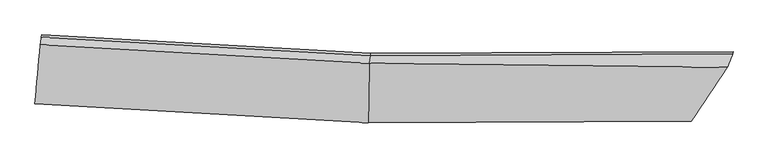
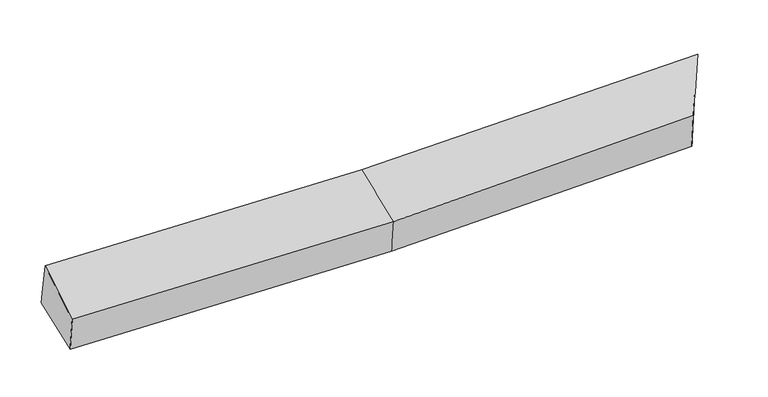
"""IFC4 building model written with IfcOpenShell, lengths in millimetres: proxy geometry."""

from ifc_helpers import new_model, si_unit, frame, origin, place, context, project, spatial, source, transform, mapped, element, save
from ifc_brep_helpers import plane_surface, spline_surface, advanced_brep


def generic_models_3a680a98(model_context):
    return source(origin(), model_context, "Body", "AdvancedBrep", [
        advanced_brep(
        [(-3616.5022442, -1881.2679444, 2054.9356478), (-3607.973952, -1830.9667966, 1662.8284327), (-46.4825259, -2031.368668, 1719.6286882), (-56.4316975, -2081.5852363, 2111.7132653), (-3543.8802961, -1145.1448693, 1787.4891213), (-32.708693, -1342.5513948, 1843.4876631), (-3547.5451936, -1169.8419778, 1925.2447795), (-36.3735905, -1367.2485033, 1981.2433212), (-3558.7803491, -1250.170344, 2301.4797646), (-46.693814, -1447.6313319, 2357.4928834), (3776.5740135, -1491.5513825, 2444.0313796), (3834.0808928, -1346.9093308, 2075.1642274), (3389.5146848, -2067.8123343, 2190.6152235), (3388.841145, -2042.0755711, 1796.4072268), (3837.7457903, -1322.2122224, 1937.4085692)],
        [
            (0, 1),
            (1, 2),
            (2, 3),
            (3, 0),
            (1, 4),
            (4, 5),
            (5, 1),
            (4, 6),
            (6, 7),
            (7, 5),
            (6, 8),
            (8, 9),
            (9, 7),
            (8, 0),
            (3, 9),
            (5, 2),
            (9, 10),
            (10, 11),
            (11, 7),
            (3, 12),
            (12, 10),
            (2, 13),
            (13, 12),
            (5, 14),
            (14, 13),
            (11, 14),
            (11, 13),
            (11, 12),
        ],
        [
            spline_surface(1, 1, [[(-3616.5022442, -1881.2679444, 2054.9356478), (-56.4316975, -2081.5852363, 2111.7132653)], [(-3607.973952, -1830.9667966, 1662.8284327), (-46.4825259, -2031.368668, 1719.6286882)]], [2, 2], [2, 2], [0.0, 1.0], [0.0, 1.0]),
            plane_surface(frame((-3575.927124, -1488.055833, 1725.158777), z_axis=(0.02561417979288983, 0.17646154319589913, -0.9839742057424369), x_axis=(0.0915623656179011, 0.9797456104443447, 0.17808669803635596))),
            plane_surface(frame((-3545.7127448, -1157.4934236, 1856.3669504), z_axis=(0.05241820605051707, 0.9827099425919633, 0.17757674511417845), x_axis=(-0.026177839377854527, -0.17640791764418862, 0.9839689869695836))),
            spline_surface(1, 1, [[(-3547.5451936, -1169.8419778, 1925.2447795), (-36.3735905, -1367.2485033, 1981.2433212)], [(-3558.7803491, -1250.170344, 2301.4797646), (-46.693814, -1447.6313319, 2357.4928834)]], [2, 2], [2, 2], [0.0, 1.0], [0.0, 1.0]),
            spline_surface(1, 1, [[(-3558.7803491, -1250.170344, 2301.4797646), (-46.693814, -1447.6313319, 2357.4928834)], [(-3616.5022442, -1881.2679444, 2054.9356478), (-56.4316975, -2081.5852363, 2111.7132653)]], [2, 2], [2, 2], [0.0, 1.0], [0.0, 1.0]),
            plane_surface(frame((-3574.936407, -1455.4783864, 1946.3955492), z_axis=(-0.9954551993575402, 0.09475645311812726, -0.009495296968080644), x_axis=(0.0848851398385258, 0.9280847065335613, 0.3625648776882661))),
            plane_surface(frame((-3607.973952, -1830.9667966, 1662.8284327), z_axis=(0.025620037120876314, 0.17642128083200342, -0.983981272874398), x_axis=(0.019676904212026856, 0.9840246760217778, 0.17694139261593395))),
            spline_surface(1, 1, [[(-36.3735905, -1367.2485033, 1981.2433212), (3834.0808928, -1346.9093308, 2075.1642274)], [(-46.693814, -1447.6313319, 2357.4928834), (3776.5740135, -1491.5513825, 2444.0313796)]], [2, 2], [2, 2], [0.0, 1.0], [0.0, 1.0]),
            spline_surface(1, 1, [[(-46.693814, -1447.6313319, 2357.4928834), (3776.5740135, -1491.5513825, 2444.0313796)], [(-56.4316975, -2081.5852363, 2111.7132653), (3389.5146848, -2067.8123343, 2190.6152235)]], [2, 2], [2, 2], [0.0, 1.0], [0.0, 1.0]),
            spline_surface(1, 1, [[(-56.4316975, -2081.5852363, 2111.7132653), (3389.5146848, -2067.8123343, 2190.6152235)], [(-46.4825259, -2031.368668, 1719.6286882), (3388.841145, -2042.0755711, 1796.4072268)]], [2, 2], [2, 2], [0.0, 1.0], [0.0, 1.0]),
            spline_surface(1, 1, [[(-46.4825259, -2031.368668, 1719.6286882), (3388.841145, -2042.0755711, 1796.4072268)], [(-32.708693, -1342.5513948, 1843.4876631), (3837.7457903, -1322.2122224, 1937.4085692)]], [2, 2], [2, 2], [0.0, 1.0], [0.0, 1.0]),
            plane_surface(frame((-34.5411417, -1354.8999491, 1912.3654921), z_axis=(-0.009448612984832992, 0.9843060018163654, 0.17621696428251243), x_axis=(-0.026177839377794856, -0.1764079176440678, 0.9839689869696068))),
            plane_surface(frame((3686.889276, -1570.3990414, 1936.3266744), z_axis=(0.8525546084192912, -0.5179062320278277, -0.07016961229597063), x_axis=(-0.5109940324378042, -0.7978303871895001, -0.3199246350158184))),
            plane_surface(frame((3537.4789075, -1818.9324121, 2020.7288926), z_axis=(0.8480314503442291, -0.5287239081089142, -0.03596787762851515), x_axis=(-0.5200870642060998, -0.8433666796731235, 0.13506327873486287))),
            plane_surface(frame((3666.7231971, -1635.4243492, 2236.6036102), z_axis=(0.8430433580175429, -0.5322643117217056, -0.07728259163565787), x_axis=(-0.1436364853938579, -0.36127635889071336, 0.921329448444132))),
        ],
        [
            (0, [[1, 2, 3, 4]]),
            (1, [[5, 6, 7]]),
            (2, [[8, 9, 10, -6]]),
            (3, [[11, 12, 13, -9]]),
            (4, [[14, -4, 15, -12]]),
            (5, [[-14, -11, -8, -5, -1]]),
            (6, [[16, -2, -7]]),
            (7, [[-13, 17, 18, 19]]),
            (8, [[-15, 20, 21, -17]]),
            (9, [[-3, 22, 23, -20]]),
            (10, [[-16, 24, 25, -22]]),
            (11, [[-10, -19, 26, -24]]),
            (12, [[27, -25, -26]]),
            (13, [[28, -23, -27]]),
            (14, [[-18, -21, -28]]),
        ],
    ),
    ])


if __name__ == "__main__":
    model = new_model("IFC4")
    model_context = context("Model", 3, world=origin())
    ifc_project = project(units=[si_unit("LENGTHUNIT", "METRE", prefix="MILLI")], contexts=[model_context])
    site = spatial("IfcSite", under=ifc_project)
    building = spatial("IfcBuilding", under=site)
    placement = place(None, origin())
    generic_models_shape = generic_models_3a680a98(model_context)
    element("IfcBuildingElementProxy", 1, Name="Generic Models", at=placement, inside=building, context=model_context, shape_type="MappedRepresentation", body=[
        mapped(generic_models_shape, transform((0.0, 0.0, 0.0), x_axis=(1.0, 0.0, 0.0), y_axis=(0.0, 1.0, 0.0), z_axis=(0.0, 0.0, 1.0))),
    ])
    save(model, "model.ifc")
